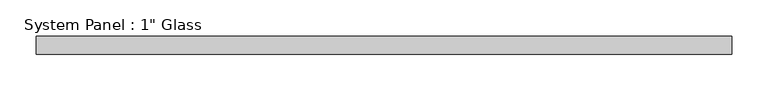
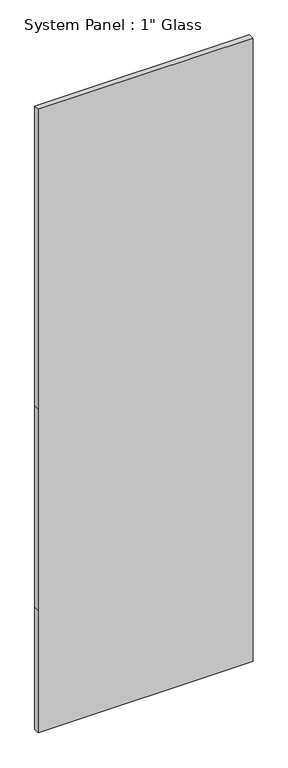
"""IFC4 building model written with IfcOpenShell, lengths in millimetres: plate geometry."""

from ifc_helpers import new_model, si_unit, frame, origin, place, context, project, spatial, polyline, outline, extrude, source, transform, mapped, element, save


def plate_d0bbb2a9(model_context):
    return source(origin(), model_context, "Body", "SweptSolid", [
        extrude(outline(polyline([(0.0, -482.6), (0.0, 482.6), (581.025, 482.6), (1536.7, 482.6), (2959.1, 482.6), (2959.1, -482.6), (1536.7, -482.6), (581.025, -482.6), (0.0, -482.6)])), frame((0.0, -12.7, 0.0), z_axis=(0.0, 1.0, 0.0), x_axis=(0.0, 0.0, 1.0)), (0.0, 0.0, 1.0), 25.4),
    ])


if __name__ == "__main__":
    model = new_model("IFC4")
    model_context = context("Model", 3, world=origin())
    ifc_project = project(units=[si_unit("LENGTHUNIT", "METRE", prefix="MILLI")], contexts=[model_context])
    site = spatial("IfcSite", under=ifc_project)
    building = spatial("IfcBuilding", under=site)
    placement = place(None, origin())
    plate_shape = plate_d0bbb2a9(model_context)
    element("IfcPlate", 1, ObjectType="System Panel : 1\" Glass", at=placement, inside=building, context=model_context, shape_type="MappedRepresentation", body=[
        mapped(plate_shape, transform((0.0, 0.0, 0.0), x_axis=(1.0, 0.0, 0.0), y_axis=(0.0, 1.0, 0.0), z_axis=(0.0, 0.0, 1.0))),
    ])
    save(model, "model.ifc")
